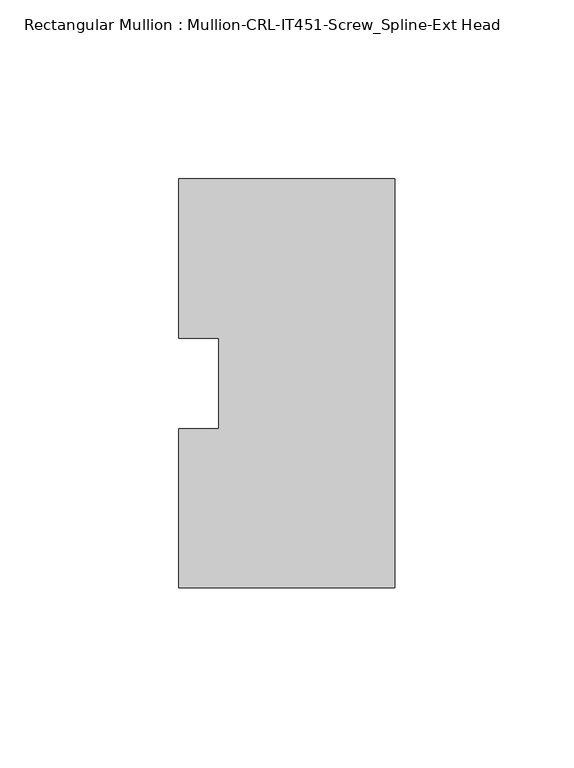
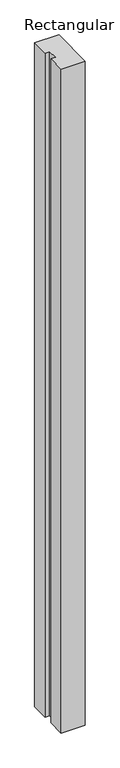
"""IFC4 building model written with IfcOpenShell, lengths in millimetres: member geometry, Rectangular Mullion : Mullion-CRL-IT451-Screw_Spline-Ext Head."""

from ifc_helpers import new_model, si_unit, frame, origin, place, context, project, spatial, polyline, outline, extrude, source, transform, mapped, element, save


def rectangular_mullion_mullion_crl_it451_screw_spline_ext_head_daea2922(model_context):
    return source(origin(), model_context, "Body", "SweptSolid", [
        extrude(outline(polyline([(0.0, -57.15), (-60.3249703, -57.15), (-60.3249703, -12.7), (-49.2124703, -12.7), (-49.2124703, 12.7), (-60.3249703, 12.7), (-60.3249703, 57.15), (0.0, 57.15), (0.0, -57.15)])), frame((0.0, 0.0, -1752.6), z_axis=(0.0, 0.0, 1.0), x_axis=(1.0, 0.0, 0.0)), (0.0, 0.0, 1.0), 1752.6),
    ])


if __name__ == "__main__":
    model = new_model("IFC4")
    model_context = context("Model", 3, world=origin())
    ifc_project = project(units=[si_unit("LENGTHUNIT", "METRE", prefix="MILLI")], contexts=[model_context])
    site = spatial("IfcSite", under=ifc_project)
    building = spatial("IfcBuilding", under=site)
    placement = place(None, origin())
    rectangular_mullion_mullion_crl_it451_screw_spline_ext_head_shape = rectangular_mullion_mullion_crl_it451_screw_spline_ext_head_daea2922(model_context)
    element("IfcMember", 1, ObjectType="Rectangular Mullion : Mullion-CRL-IT451-Screw_Spline-Ext Head", at=placement, inside=building, context=model_context, shape_type="MappedRepresentation", body=[
        mapped(rectangular_mullion_mullion_crl_it451_screw_spline_ext_head_shape, transform((0.0, 0.0, 0.0), x_axis=(1.0, 0.0, 0.0), y_axis=(0.0, 1.0, 0.0), z_axis=(0.0, 0.0, 1.0))),
    ])
    save(model, "model.ifc")
